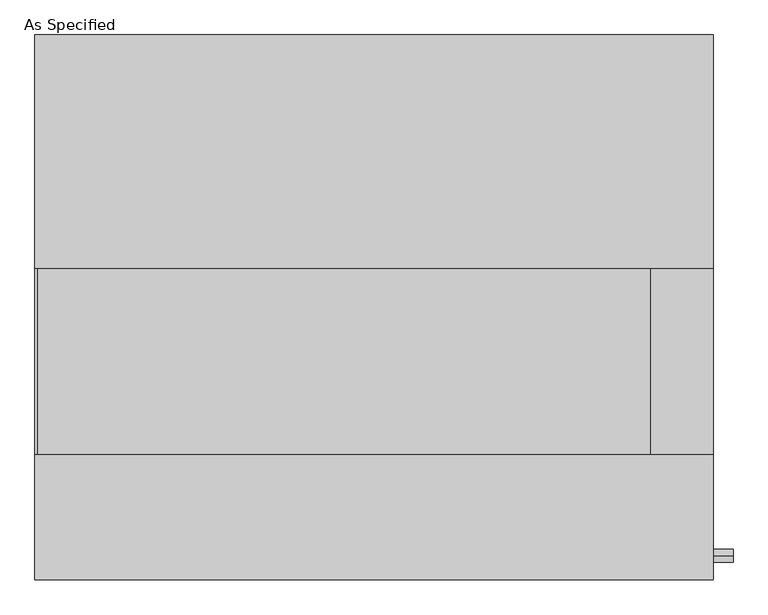
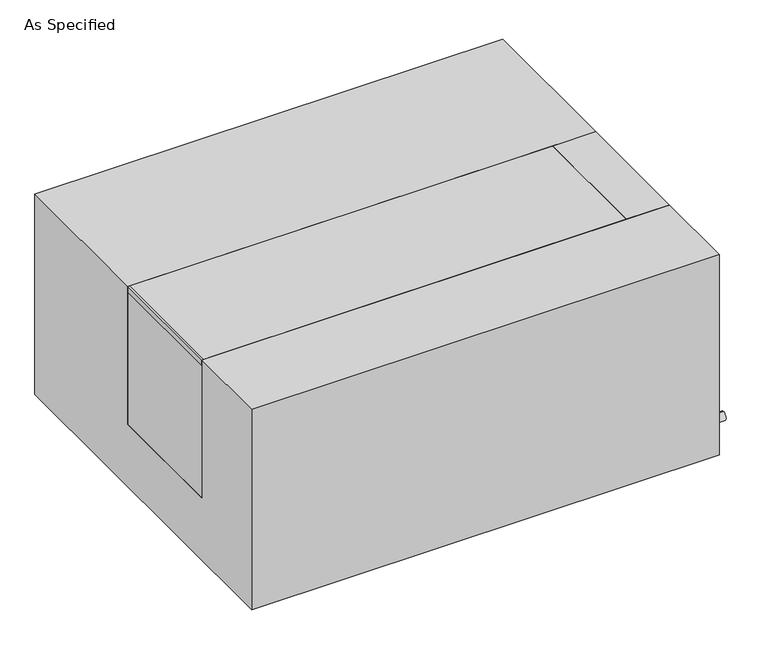
"""IFC4 building model written with IfcOpenShell, lengths in millimetres: proxy geometry, As Specified."""

from ifc_helpers import new_model, si_unit, point, frame, frame_2d, origin, place, context, project, spatial, polyline, circle_curve, trimmed, segment, composite_curve, outline, extrude, source, transform, mapped, element, save


def as_specified_799ef677(model_context):
    return source(origin(), model_context, "Body", "SweptSolid", [
        extrude(outline(composite_curve([segment(trimmed(circle_curve(frame_2d((-407.9875, -466.725)), 10.5), [point((-407.9875, -456.225))], [point((-407.9875, -477.225))], False, "CARTESIAN"), True, "CONTINUOUS"), segment(trimmed(circle_curve(frame_2d((-407.9875, -466.725)), 10.5), [point((-407.9875, -477.225))], [point((-407.9875, -456.225))], False, "CARTESIAN"), True, "CONTINUOUS")], self_intersect=False)), frame((558.00625, 0.0, 0.0), z_axis=(1.0, 0.0, 0.0), x_axis=(0.0, 1.0, 0.0)), (0.0, 0.0, 1.0), 31.8403384),
        extrude(outline(polyline([(454.81875, -241.3), (454.81875, 63.5), (557.2125, 63.5), (557.2125, -241.3), (454.81875, -241.3)])), frame((0.0, 0.0, -373.0625), z_axis=(0.0, 0.0, 1.0), x_axis=(1.0, 0.0, 0.0)), (0.0, 0.0, 1.0), 347.6625),
        extrude(outline(polyline([(-557.2125, 63.5), (-553.24375, 63.5), (-553.24375, -241.3), (-557.2125, -241.3), (-557.2125, 63.5)])), frame((0.0, 0.0, -39.6875), z_axis=(0.0, 0.0, 1.0), x_axis=(1.0, 0.0, 0.0)), (0.0, 0.0, 1.0), 14.2875),
        extrude(outline(polyline([(454.81875, 63.5), (454.81875, -241.3), (-557.2125, -241.3), (-557.2125, 63.5), (454.81875, 63.5)])), frame((0.0, 0.0, -373.0625), z_axis=(0.0, 0.0, 1.0), x_axis=(1.0, 0.0, 0.0)), (0.0, 0.0, 1.0), 347.6625),
        extrude(outline(polyline([(447.675, -25.4), (447.675, -530.225), (-447.675, -530.225), (-447.675, -25.4), (-241.3, -25.4), (-241.3, -373.0625), (63.5, -373.0625), (63.5, -25.4), (447.675, -25.4)])), frame((-557.2125, 0.0, 0.0), z_axis=(1.0, 0.0, 0.0), x_axis=(0.0, 1.0, 0.0)), (0.0, 0.0, 1.0), 1114.425),
    ])


if __name__ == "__main__":
    model = new_model("IFC4")
    model_context = context("Model", 3, world=origin())
    ifc_project = project(units=[si_unit("LENGTHUNIT", "METRE", prefix="MILLI")], contexts=[model_context])
    site = spatial("IfcSite", under=ifc_project)
    building = spatial("IfcBuilding", under=site)
    placement = place(None, origin())
    as_specified_shape = as_specified_799ef677(model_context)
    element("IfcBuildingElementProxy", 1, Name="As Specified", ObjectType="As Specified", at=placement, inside=building, context=model_context, shape_type="MappedRepresentation", body=[
        mapped(as_specified_shape, transform((0.0, 0.0, 0.0), x_axis=(1.0, 0.0, 0.0), y_axis=(0.0, 1.0, 0.0), z_axis=(0.0, 0.0, 1.0))),
    ])
    save(model, "model.ifc")
